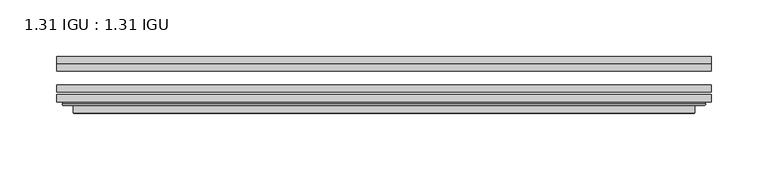
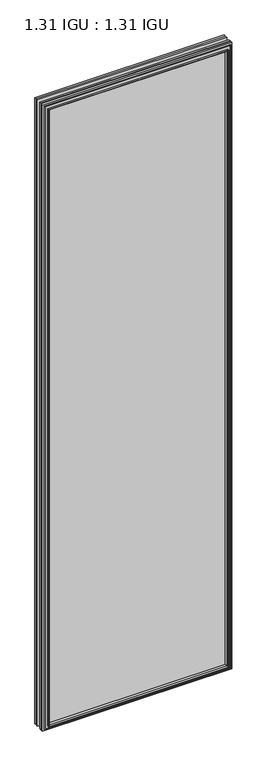
"""IFC4 building model written with IfcOpenShell, lengths in millimetres: plate geometry, 1.31 IGU : 1.31 IGU."""

import ifcopenshell
import ifcopenshell.guid

model = None  # the IFC model being written
_history = None  # IfcOwnerHistory: only IFC2X3 demands one
_inside = {}  # id of a spatial element -> (the spatial element, [elements in it])
_under = {}  # id of a project, library or spatial element -> (it, [spatial elements below it])
_declared = {}  # id of a project -> (the project, [libraries it declares])
_typed = {}  # id of a type object -> (the type object, [elements of that type])
_made_of = {}  # id of a material, layer set ... -> (it, [elements and type objects made of it])


def new_model(schema):
    """Start an empty IFC model of exactly this schema.

    Asked for "IFC4X3", IfcOpenShell would pick the latest addendum, in which some entities
    have other attributes; the version numbers below select the first issue.
    IFC2X3 requires an IfcOwnerHistory on every rooted entity: one is made here for all.
    """
    global model, _history
    if schema == "IFC4X3":
        model = ifcopenshell.file(schema_version=(4, 3, 0, 0))
    else:
        model = ifcopenshell.file(schema=schema)
    _inside.clear()
    _under.clear()
    _declared.clear()
    _typed.clear()
    _made_of.clear()
    _history = None
    if model.schema == "IFC2X3":
        org = make("IfcOrganization", Name="unknown")
        user = make(
            "IfcPersonAndOrganization",
            ThePerson=make("IfcPerson", FamilyName="unknown"),
            TheOrganization=org,
        )
        app = make(
            "IfcApplication",
            ApplicationDeveloper=org,
            Version="unknown",
            ApplicationFullName="unknown",
            ApplicationIdentifier="unknown",
        )
        _history = make(
            "IfcOwnerHistory",
            OwningUser=user,
            OwningApplication=app,
            ChangeAction="ADDED",
            CreationDate=0,
        )
    return model


def make(cls, **values):
    """One entity of the class cls with the attributes given. An attribute that is None is left unset."""
    return model.create_entity(
        cls, **{name: value for name, value in values.items() if value is not None}
    )


def rooted(cls, **values):
    """An entity with a GlobalId (a new one), such as an element, a storey or a relation."""
    return make(cls, GlobalId=ifcopenshell.guid.new(), OwnerHistory=_history, **values)


def si_unit(unit_type, name, prefix=None):
    """IfcSIUnit, for example si_unit("LENGTHUNIT", "METRE", prefix="MILLI")."""
    return make("IfcSIUnit", UnitType=unit_type, Prefix=prefix, Name=name)


def assignment(units):
    """IfcUnitAssignment: the units of a project."""
    return None if units is None else make("IfcUnitAssignment", Units=units)


def point(xyz):
    """IfcCartesianPoint."""
    return None if xyz is None else make("IfcCartesianPoint", Coordinates=xyz)


def direction(xyz):
    """IfcDirection."""
    return None if xyz is None else make("IfcDirection", DirectionRatios=xyz)


def frame(location, z_axis=None, x_axis=None):
    """IfcAxis2Placement3D, a coordinate frame: its origin and axes. An axis left out is left unset."""
    return make(
        "IfcAxis2Placement3D",
        Location=point(location),
        Axis=direction(z_axis),
        RefDirection=direction(x_axis),
    )


def origin():
    """The frame at (0, 0, 0) with its axes left unset."""
    return frame((0.0, 0.0, 0.0))


def place(relative_to, where):
    """IfcLocalPlacement: puts the frame where relative to a parent placement (None: the world)."""
    return make(
        "IfcLocalPlacement", PlacementRelTo=relative_to, RelativePlacement=where
    )


def context(
    kind, dimensions, precision=None, world=None, true_north=None, identifier=None
):
    """IfcGeometricRepresentationContext, for example the 3D "Model" context."""
    return make(
        "IfcGeometricRepresentationContext",
        ContextIdentifier=identifier,
        ContextType=kind,
        CoordinateSpaceDimension=dimensions,
        Precision=precision,
        WorldCoordinateSystem=world,
        TrueNorth=true_north,
    )


def project(units=None, contexts=None):
    """IfcProject with its units and contexts."""
    return rooted(
        "IfcProject",
        Name="project",
        RepresentationContexts=contexts,
        UnitsInContext=assignment(units),
    )


def spatial(cls, under=None, at=None, **own):
    """A site, building, storey or space (cls), placed at a placement, below another one or the project."""
    s = rooted(cls, ObjectPlacement=at, **own)
    if under is not None:
        _under.setdefault(under.id(), (under, []))[1].append(s)
    return s


def polyline(points):
    """IfcPolyline through the points."""
    return make("IfcPolyline", Points=[point(p) for p in points])


def ellipse_curve(where, semi_axis1, semi_axis2):
    """IfcEllipse in the frame where."""
    return make(
        "IfcEllipse", Position=where, SemiAxis1=semi_axis1, SemiAxis2=semi_axis2
    )


def outline(outer, holes=None, kind="AREA"):
    """IfcArbitraryClosedProfileDef: a profile drawn as a closed curve; with holes, ...WithVoids."""
    if holes is None:
        return make("IfcArbitraryClosedProfileDef", ProfileType=kind, OuterCurve=outer)
    return make(
        "IfcArbitraryProfileDefWithVoids",
        ProfileType=kind,
        OuterCurve=outer,
        InnerCurves=holes,
    )


def extrude(swept, where, along, depth):
    """IfcExtrudedAreaSolid: the profile swept, set in the frame where, extruded along a direction by depth."""
    return make(
        "IfcExtrudedAreaSolid",
        SweptArea=swept,
        Position=where,
        ExtrudedDirection=direction(along),
        Depth=depth,
    )


def faces_of(points, faces, orient=None, outer=None):
    """IfcFace entities. A face is a list of loops; a loop is a list of indices into points, from 0.

    orient and outer hold one flag for each loop. By default every Orientation is true, the
    first loop of a face is its IfcFaceOuterBound and the others are IfcFaceBound.
    """
    made = []
    for i, loops in enumerate(faces):
        bounds = []
        for j, loop in enumerate(loops):
            is_outer = j == 0 if outer is None else outer[i][j]
            bounds.append(
                make(
                    "IfcFaceOuterBound" if is_outer else "IfcFaceBound",
                    Bound=make("IfcPolyLoop", Polygon=[points[k] for k in loop]),
                    Orientation=True if orient is None else orient[i][j],
                )
            )
        made.append(make("IfcFace", Bounds=bounds))
    return made


def faceted_brep(points, faces, orient=None, outer=None, voids=None):
    """IfcFacetedBrep: a solid bounded by flat faces; with voids (closed shells), ...WithVoids."""
    shared = [point(p) for p in points]
    hull = make("IfcClosedShell", CfsFaces=faces_of(shared, faces, orient, outer))
    if voids is None:
        return make("IfcFacetedBrep", Outer=hull)
    return make(
        "IfcFacetedBrepWithVoids",
        Outer=hull,
        Voids=[
            make(cls, CfsFaces=faces_of(shared, fs, o, b)) for cls, fs, o, b in voids
        ],
    )


def shape(context_of_items, identifier, shape_type, items):
    """IfcShapeRepresentation: the items that make up one representation, for example the "Body"."""
    return make(
        "IfcShapeRepresentation",
        ContextOfItems=context_of_items,
        RepresentationIdentifier=identifier,
        RepresentationType=shape_type,
        Items=items,
    )


def source(mapping_origin, context_of_items, identifier, shape_type, items):
    """IfcRepresentationMap: a shape defined once, which mapped items show again and again."""
    return make(
        "IfcRepresentationMap",
        MappingOrigin=mapping_origin,
        MappedRepresentation=shape(context_of_items, identifier, shape_type, items),
    )


def transform(
    local_origin,
    x_axis=None,
    y_axis=None,
    z_axis=None,
    scale=None,
    scale2=None,
    scale3=None,
    uniform=True,
):
    """IfcCartesianTransformationOperator3D, or its non-uniform kind. x_axis, y_axis, z_axis: its Axis1, 2, 3."""
    if uniform:
        return make(
            "IfcCartesianTransformationOperator3D",
            Axis1=direction(x_axis),
            Axis2=direction(y_axis),
            LocalOrigin=point(local_origin),
            Scale=scale,
            Axis3=direction(z_axis),
        )
    return make(
        "IfcCartesianTransformationOperator3DnonUniform",
        Axis1=direction(x_axis),
        Axis2=direction(y_axis),
        LocalOrigin=point(local_origin),
        Scale=scale,
        Axis3=direction(z_axis),
        Scale2=scale2,
        Scale3=scale3,
    )


def mapped(mapping_source, mapping_target):
    """IfcMappedItem: shows the shape of a source again, moved by a transform."""
    return make(
        "IfcMappedItem", MappingSource=mapping_source, MappingTarget=mapping_target
    )


def made_of(thing, what):
    """Note that an element or type object is made of a material, layer set ...; save() writes the relation."""
    if what is not None:
        _made_of.setdefault(what.id(), (what, []))[1].append(thing)
    return thing


def element(
    cls,
    number,
    at=None,
    inside=None,
    cuts=None,
    type_object=None,
    material=None,
    context=None,
    identifier="Body",
    shape_type=None,
    held_by="IfcProductDefinitionShape",
    body=None,
    shapes=None,
    **own,
):
    """One element of the class cls, such as IfcWall. Its Tag is "e" and its number.

    at: its placement. inside: the storey or other place that contains it. cuts: it is an
    opening in that element (IfcRelVoidsElement). A single representation is given by context,
    identifier, shape_type and body (its items); several are given by shapes. held_by: the class
    of the entity that holds the representations. save() writes the other relations.
    """
    e = rooted(cls, Tag="e%d" % number, ObjectPlacement=at, **own)
    if body is not None:
        shapes = [shape(context, identifier, shape_type, body)]
    if shapes is not None:
        e.Representation = make(held_by, Representations=shapes)
    if inside is not None:
        _inside.setdefault(inside.id(), (inside, []))[1].append(e)
    if cuts is not None:
        rooted(
            "IfcRelVoidsElement", RelatingBuildingElement=cuts, RelatedOpeningElement=e
        )
    if type_object is not None:
        _typed.setdefault(type_object.id(), (type_object, []))[1].append(e)
    return made_of(e, material)


def aggregate(whole, parts):
    """IfcRelAggregates: a whole, such as a stair, and the parts it consists of."""
    return rooted("IfcRelAggregates", RelatingObject=whole, RelatedObjects=parts)


def save(model, path):
    """Write the relations noted so far, then the file.

    IfcRelAggregates (storeys below a building ...), IfcRelContainedInSpatialStructure (elements
    in a storey), IfcRelDefinesByType, IfcRelAssociatesMaterial and IfcRelDeclares: one each for
    every whole, place, type object, material and project.
    """
    for whole, parts in _under.values():
        aggregate(whole, parts)
    for where, things in _inside.values():
        rooted(
            "IfcRelContainedInSpatialStructure",
            RelatedElements=things,
            RelatingStructure=where,
        )
    for kind, things in _typed.values():
        rooted("IfcRelDefinesByType", RelatedObjects=things, RelatingType=kind)
    for what, things in _made_of.values():
        rooted("IfcRelAssociatesMaterial", RelatedObjects=things, RelatingMaterial=what)
    for by, libraries in _declared.values():
        rooted("IfcRelDeclares", RelatingContext=by, RelatedDefinitions=libraries)
    model.write(path)


def plane_surface(at):
    """IfcPlane: the flat surface through the origin of the frame at, square to its z axis."""
    return make("IfcPlane", Position=at)


def cylinder_surface(at, radius):
    """IfcCylindricalSurface: all points at the distance radius from the z axis of the frame at."""
    return make("IfcCylindricalSurface", Position=at, Radius=radius)


def advanced_brep(points, edges, surfaces, faces):
    """IfcAdvancedBrep: a solid bounded by faces that lie on surfaces and meet in shared edges.

    An edge is (start, end): straight between two places in points (the first is 0);
    or (start, end, curve); or (start, end, curve, False) where it runs against its curve.
    A face is (place in surfaces, loops), or (place, loops, False) where it looks against
    its surface's normal. A loop lists edges by number (the first is 1), with a minus sign
    where the edge is run from its end to its start. The first loop is the outer one.
    """
    corners = [point(p) for p in points]
    vertices = [make("IfcVertexPoint", VertexGeometry=c) for c in corners]
    made = []
    for start, end, *more in edges:
        made.append(
            make(
                "IfcEdgeCurve",
                EdgeStart=vertices[start],
                EdgeEnd=vertices[end],
                EdgeGeometry=more[0] if more else make("IfcPolyline", Points=[corners[start], corners[end]]),
                SameSense=more[1] if len(more) > 1 else True,
            )
        )
    hull = []
    for where, loops, *sense in faces:
        bounds = []
        for j, loop in enumerate(loops):
            ring = [make("IfcOrientedEdge", EdgeElement=made[abs(k) - 1], Orientation=k > 0) for k in loop]
            bounds.append(
                make(
                    "IfcFaceOuterBound" if j == 0 else "IfcFaceBound",
                    Bound=make("IfcEdgeLoop", EdgeList=ring),
                    Orientation=True,
                )
            )
        hull.append(make("IfcAdvancedFace", Bounds=bounds, FaceSurface=surfaces[where], SameSense=sense[0] if sense else True))
    return make("IfcAdvancedBrep", Outer=make("IfcClosedShell", CfsFaces=hull))


def plate_1_31_igu_1_31_igu_a502a4f6(model_context):
    return source(origin(), model_context, "Body", "SolidModel", [
        extrude(outline(polyline([(287.351675, -66.4725937), (287.351675, -72.8225938), (-287.3375, -72.8225938), (-287.3375, -66.4725937), (287.351675, -66.4725937)])), frame((0.0, 0.0, -14.2875), z_axis=(0.0, 0.0, 1.0), x_axis=(1.0, 0.0, 0.0)), (0.0, 0.0, 1.0), 2009.7964726),
        extrude(outline(polyline([(-287.3375, -81.4585938), (-287.3375, -75.1080887), (287.351675, -75.1080887), (287.351675, -81.4585938), (-287.3375, -81.4585938)])), frame((0.0, 0.0, -14.2875), z_axis=(0.0, 0.0, 1.0), x_axis=(1.0, 0.0, 0.0)), (0.0, 0.0, 1.0), 2009.7964726),
        extrude(outline(polyline([(287.351675, -48.1337937), (287.351675, -54.4837938), (-287.3375, -54.4837938), (-287.3375, -48.1337937), (287.351675, -48.1337937)])), frame((0.0, 0.0, -14.2875), z_axis=(0.0, 0.0, 1.0), x_axis=(1.0, 0.0, 0.0)), (0.0, 0.0, 1.0), 2009.7964726),
        faceted_brep([(-273.0446902, -41.7837938, 1981.2123649), (-272.1522559, -48.1337937, 1980.3199306), (-272.1522559, -48.1337937, 0.8977441), (-273.0446902, -41.7837938, 0.0053098), (-287.3502, -48.1337937, 1995.5178747), (-287.3502, -41.7837938, 1995.5178747), (-287.3502, -41.7837938, -14.3002), (-287.3502, -48.1337937, -14.3002), (272.1522559, -48.1337937, 0.8977441), (273.0446902, -41.7837938, 0.0053098), (287.3502, -41.7837938, -14.3002), (287.3502, -48.1337937, -14.3002), (272.1522559, -48.1337937, 1980.3199306), (273.0446902, -41.7837938, 1981.2123649), (287.3502, -41.7837938, 1995.5178747), (287.3502, -48.1337937, 1995.5178747)], [[[0, 1, 2, 3]], [[4, 5, 6, 7]], [[3, 2, 8, 9]], [[7, 6, 10, 11]], [[9, 8, 12, 13]], [[11, 10, 14, 15]], [[7, 11, 15, 4], [1, 12, 8, 2]], [[13, 12, 1, 0]], [[5, 14, 10, 6], [3, 9, 13, 0]], [[15, 14, 5, 4]]]),
        advanced_brep(
        [(-281.4486349, -84.6335938, 1989.6163096), (-282.4504244, -83.4482604, 1990.6180991), (-282.4504244, -83.4482604, -9.4004244), (-281.4486349, -84.6335938, -8.3986349), (-273.0445784, -91.0948368, 1981.2122532), (-273.0445784, -84.6335938, 1981.2122532), (-273.0445784, -84.6335938, 0.0054216), (-273.0445784, -91.0948368, 0.0054216), (-272.0539217, -90.6958619, 1980.2215964), (-272.0539217, -90.6958619, 0.9960783), (-271.0218939, -85.2986307, 1979.1895686), (-271.0218939, -85.2986307, 2.0281061), (-266.0870621, -81.4585938, 1974.2547368), (-266.0870621, -81.4585938, 6.9629379), (-280.096219, -81.4585938, 1988.2638938), (-280.096219, -81.4585938, -7.046219), (282.4504244, -83.4482604, -9.4004244), (281.4486349, -84.6335938, -8.3986349), (273.0445784, -84.6335938, 0.0054216), (273.0445784, -91.0948368, 0.0054216), (272.0539217, -90.6958619, 0.9960783), (271.0218939, -85.2986307, 2.0281061), (266.0870621, -81.4585938, 6.9629379), (280.096219, -81.4585938, -7.046219), (282.4504244, -83.4482604, 1990.6180991), (281.4486349, -84.6335938, 1989.6163096), (273.0445784, -84.6335938, 1981.2122532), (273.0445784, -91.0948368, 1981.2122532), (272.0539217, -90.6958619, 1980.2215964), (271.0218939, -85.2986307, 1979.1895686), (266.0870621, -81.4585938, 1974.2547368), (280.096219, -81.4585938, 1988.2638938)],
        [
            (0, 1, ellipse_curve(frame((-281.4486349, -83.6175938, 1989.6163096), z_axis=(-0.7071067811865475, 0.0, -0.7071067811865475), x_axis=(-0.7071067811865474, 0.0, 0.7071067811865476)), 1.436841, 1.016)),
            (1, 2),
            (2, 3, ellipse_curve(frame((-281.4486349, -83.6175938, -8.3986349), z_axis=(-0.7071067811865475, 0.0, 0.7071067811865475), x_axis=(0.7071067811865474, 0.0, 0.7071067811865476)), 1.436841, 1.016)),
            (3, 0),
            (4, 5),
            (5, 6),
            (6, 7),
            (7, 4),
            (8, 4, ellipse_curve(frame((-272.6776219, -90.5766015, 1980.8452966), z_axis=(-0.7071067811865475, 0.0, -0.7071067811865475), x_axis=(-0.7071067811865474, 0.0, 0.7071067811865476)), 0.8980256, 0.635)),
            (7, 9, ellipse_curve(frame((-272.6776219, -90.5766015, 0.3723781), z_axis=(-0.7071067811865475, 0.0, 0.7071067811865475), x_axis=(0.7071067811865474, 0.0, 0.7071067811865476)), 0.8980256, 0.635)),
            (9, 8),
            (10, 8),
            (9, 11),
            (11, 10),
            (12, 10),
            (11, 13),
            (13, 12),
            (1, 14, ellipse_curve(frame((-280.096219, -83.8461938, 1988.2638938), z_axis=(-0.7071067811865475, 0.0, -0.7071067811865475), x_axis=(-0.7071067811865474, 0.0, 0.7071067811865476)), 3.3765763, 2.3876)),
            (14, 15),
            (15, 2, ellipse_curve(frame((-280.096219, -83.8461938, -7.046219), z_axis=(-0.7071067811865475, 0.0, 0.7071067811865475), x_axis=(0.7071067811865474, 0.0, 0.7071067811865476)), 3.3765763, 2.3876)),
            (2, 16),
            (16, 17, ellipse_curve(frame((281.4486349, -83.6175938, -8.3986349), z_axis=(-0.7071067811865475, 0.0, -0.7071067811865475), x_axis=(-0.7071067811865476, 0.0, 0.7071067811865474)), 1.436841, 1.016)),
            (17, 3),
            (6, 18),
            (18, 19),
            (19, 7),
            (19, 20, ellipse_curve(frame((272.6776219, -90.5766015, 0.3723781), z_axis=(-0.7071067811865475, 0.0, -0.7071067811865475), x_axis=(-0.7071067811865476, 0.0, 0.7071067811865474)), 0.8980256, 0.635)),
            (20, 9),
            (20, 21),
            (21, 11),
            (21, 22),
            (22, 13),
            (15, 23),
            (23, 16, ellipse_curve(frame((280.096219, -83.8461938, -7.046219), z_axis=(-0.7071067811865475, 0.0, -0.7071067811865475), x_axis=(-0.7071067811865476, 0.0, 0.7071067811865474)), 3.3765763, 2.3876)),
            (16, 24),
            (24, 25, ellipse_curve(frame((281.4486349, -83.6175938, 1989.6163096), z_axis=(0.7071067811865475, 0.0, -0.7071067811865475), x_axis=(-0.7071067811865474, 0.0, -0.7071067811865476)), 1.436841, 1.016)),
            (25, 17),
            (18, 26),
            (26, 27),
            (27, 19),
            (27, 28, ellipse_curve(frame((272.6776219, -90.5766015, 1980.8452966), z_axis=(0.7071067811865475, 0.0, -0.7071067811865475), x_axis=(-0.7071067811865474, 0.0, -0.7071067811865476)), 0.8980256, 0.635)),
            (28, 20),
            (28, 29),
            (29, 21),
            (29, 30),
            (30, 22),
            (23, 31),
            (31, 24, ellipse_curve(frame((280.096219, -83.8461938, 1988.2638938), z_axis=(0.7071067811865475, 0.0, -0.7071067811865475), x_axis=(-0.7071067811865474, 0.0, -0.7071067811865476)), 3.3765763, 2.3876)),
            (24, 1),
            (0, 25),
            (5, 26),
            (4, 27),
            (8, 28),
            (10, 29),
            (12, 30),
            (14, 31),
        ],
        [
            cylinder_surface(frame((-281.4486349, -83.6175938, 2012.9676747), z_axis=(0.0, 0.0, 1.0), x_axis=(-1.0, 0.0, 0.0)), 1.016),
            plane_surface(frame((-273.0445784, -84.6335938, 1981.2122532), z_axis=(-1.0, 0.0, 0.0), x_axis=(0.0, 0.0, -1.0))),
            cylinder_surface(frame((-272.6776219, -90.5766015, 2012.9676747), z_axis=(0.0, 0.0, 1.0), x_axis=(-1.0, 0.0, 0.0)), 0.635),
            plane_surface(frame((-272.0539217, -90.6958619, 1980.2215964), z_axis=(0.9822050625507717, -0.1878116479338675, 0.0), x_axis=(0.0, 0.0, -1.0))),
            plane_surface(frame((-271.0218939, -85.2986307, 1979.1895686), z_axis=(0.6141233906514726, -0.7892100234124875, 0.0), x_axis=(0.0, 0.0, -1.0))),
            cylinder_surface(frame((-280.096219, -83.8461938, 2012.9676747), z_axis=(0.0, 0.0, 1.0), x_axis=(-1.0, 0.0, 0.0)), 2.3876),
            cylinder_surface(frame((-304.8, -83.6175938, -8.3986349), z_axis=(-1.0, 0.0, 0.0), x_axis=(0.0, 0.0, -1.0)), 1.016),
            plane_surface(frame((-273.0445784, -84.6335938, 0.0054216), z_axis=(0.0, 0.0, -1.0), x_axis=(1.0, 0.0, 0.0))),
            cylinder_surface(frame((-304.8, -90.5766015, 0.3723781), z_axis=(-1.0, 0.0, 0.0), x_axis=(0.0, 0.0, -1.0)), 0.635),
            plane_surface(frame((-272.0539217, -90.6958619, 0.9960783), z_axis=(0.0, -0.18781164793386435, 0.9822050625507722), x_axis=(1.0, 0.0, 0.0))),
            plane_surface(frame((-271.0218939, -85.2986307, 2.0281061), z_axis=(0.0, -0.7892100234124855, 0.6141233906514751), x_axis=(1.0, 0.0, 0.0))),
            cylinder_surface(frame((-304.8, -83.8461938, -7.046219), z_axis=(-1.0, 0.0, 0.0), x_axis=(0.0, 0.0, -1.0)), 2.3876),
            cylinder_surface(frame((281.4486349, -83.6175938, -31.75), z_axis=(0.0, 0.0, -1.0), x_axis=(1.0, 0.0, 0.0)), 1.016),
            plane_surface(frame((273.0445784, -84.6335938, 0.0054216), z_axis=(1.0, 0.0, 0.0), x_axis=(0.0, 0.0, 1.0))),
            cylinder_surface(frame((272.6776219, -90.5766015, -31.75), z_axis=(0.0, 0.0, -1.0), x_axis=(1.0, 0.0, 0.0)), 0.635),
            plane_surface(frame((272.0539217, -90.6958619, 0.9960783), z_axis=(-0.9822050625507728, -0.18781164793386118, 0.0), x_axis=(0.0, 0.0, 1.0))),
            plane_surface(frame((271.0218939, -85.2986307, 2.0281061), z_axis=(-0.6141233906514777, -0.7892100234124835, 0.0), x_axis=(0.0, 0.0, 1.0))),
            cylinder_surface(frame((280.096219, -83.8461938, -31.75), z_axis=(0.0, 0.0, -1.0), x_axis=(1.0, 0.0, 0.0)), 2.3876),
            cylinder_surface(frame((304.8, -83.6175938, 1989.6163096), z_axis=(1.0, 0.0, 0.0), x_axis=(0.0, 0.0, 1.0)), 1.016),
            plane_surface(frame((281.4486349, -84.6335938, 1989.6163096), z_axis=(0.0, -1.0, 0.0), x_axis=(-1.0, 0.0, 0.0))),
            plane_surface(frame((273.0445784, -84.6335938, 1981.2122532), z_axis=(0.0, 0.0, 1.0), x_axis=(-1.0, 0.0, 0.0))),
            cylinder_surface(frame((304.8, -90.5766015, 1980.8452966), z_axis=(1.0, 0.0, 0.0), x_axis=(0.0, 0.0, 1.0)), 0.635),
            plane_surface(frame((272.0539217, -90.6958619, 1980.2215964), z_axis=(0.0, -0.18781164793386435, -0.9822050625507722), x_axis=(-1.0, 0.0, 0.0))),
            plane_surface(frame((271.0218939, -85.2986307, 1979.1895686), z_axis=(0.0, -0.7892100234124855, -0.6141233906514751), x_axis=(-1.0, 0.0, 0.0))),
            plane_surface(frame((266.0870621, -81.4585938, 1974.2547368), z_axis=(0.0, 1.0, 0.0), x_axis=(-1.0, 0.0, 0.0))),
            cylinder_surface(frame((304.8, -83.8461938, 1988.2638938), z_axis=(1.0, 0.0, 0.0), x_axis=(0.0, 0.0, 1.0)), 2.3876),
        ],
        [
            (0, [[1, 2, 3, 4]]),
            (1, [[5, 6, 7, 8]]),
            (2, [[9, -8, 10, 11]]),
            (3, [[12, -11, 13, 14]]),
            (4, [[15, -14, 16, 17]]),
            (5, [[18, 19, 20, -2]]),
            (6, [[-3, 21, 22, 23]]),
            (7, [[-7, 24, 25, 26]]),
            (8, [[-10, -26, 27, 28]]),
            (9, [[-13, -28, 29, 30]]),
            (10, [[-16, -30, 31, 32]]),
            (11, [[-20, 33, 34, -21]]),
            (12, [[-22, 35, 36, 37]]),
            (13, [[-25, 38, 39, 40]]),
            (14, [[-27, -40, 41, 42]]),
            (15, [[-29, -42, 43, 44]]),
            (16, [[-31, -44, 45, 46]]),
            (17, [[-34, 47, 48, -35]]),
            (18, [[-36, 49, -1, 50]]),
            (19, [[-23, -37, -50, -4], [51, -38, -24, -6]]),
            (20, [[-39, -51, -5, 52]]),
            (21, [[-41, -52, -9, 53]]),
            (22, [[-43, -53, -12, 54]]),
            (23, [[-45, -54, -15, 55]]),
            (24, [[56, -47, -33, -19], [-32, -46, -55, -17]]),
            (25, [[-48, -56, -18, -49]]),
        ],
    ),
    ])


if __name__ == "__main__":
    model = new_model("IFC4")
    model_context = context("Model", 3, world=origin())
    ifc_project = project(units=[si_unit("LENGTHUNIT", "METRE", prefix="MILLI")], contexts=[model_context])
    site = spatial("IfcSite", under=ifc_project)
    building = spatial("IfcBuilding", under=site)
    placement = place(None, origin())
    plate_1_31_igu_1_31_igu_shape = plate_1_31_igu_1_31_igu_a502a4f6(model_context)
    element("IfcPlate", 1, ObjectType="1.31 IGU : 1.31 IGU", at=placement, inside=building, context=model_context, shape_type="MappedRepresentation", body=[
        mapped(plate_1_31_igu_1_31_igu_shape, transform((0.0, 0.0, 0.0), x_axis=(1.0, 0.0, 0.0), y_axis=(0.0, 1.0, 0.0), z_axis=(0.0, 0.0, 1.0))),
    ])
    save(model, "model.ifc")
